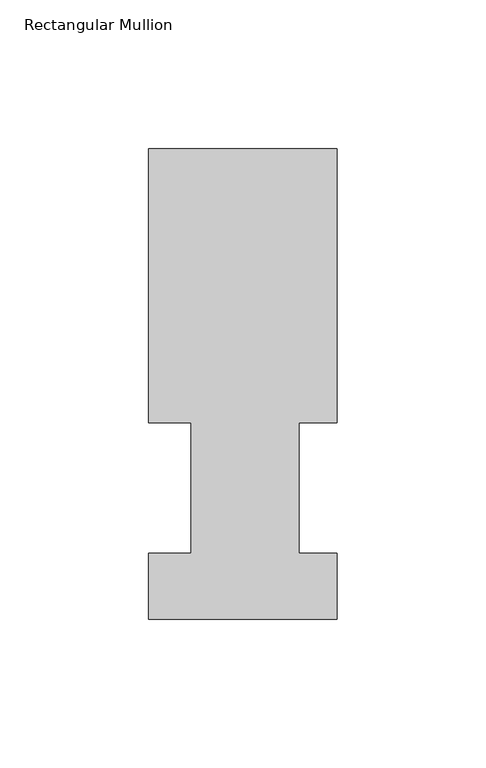
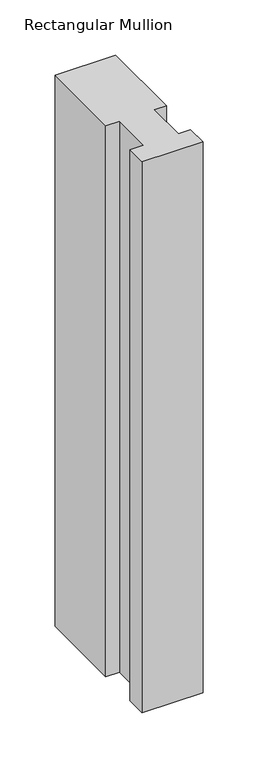
"""IFC4 building model written with IfcOpenShell, lengths in millimetres: member geometry, Rectangular Mullion."""

from ifc_helpers import new_model, si_unit, frame, origin, place, context, project, spatial, polyline, outline, extrude, source, transform, mapped, element, save


def rectangular_mullion_8d914f76(model_context):
    return source(origin(), model_context, "Body", "SweptSolid", [
        extrude(outline(polyline([(-63.5, 158.2308875), (0.0, 158.2308875), (0.0, 66.0796875), (-12.8524, 66.0796875), (-12.8524, 22.1122875), (0.0, 22.1122875), (0.0, -0.0080424), (-63.5, -0.0080424), (-63.5, 22.1122875), (-49.2125, 22.1122875), (-49.2125, 66.0796875), (-63.5, 66.0796875), (-63.5, 158.2308875)])), frame((0.0, 0.0, -609.6), z_axis=(0.0, 0.0, 1.0), x_axis=(1.0, 0.0, 0.0)), (0.0, 0.0, 1.0), 609.6),
    ])


if __name__ == "__main__":
    model = new_model("IFC4")
    model_context = context("Model", 3, world=origin())
    ifc_project = project(units=[si_unit("LENGTHUNIT", "METRE", prefix="MILLI")], contexts=[model_context])
    site = spatial("IfcSite", under=ifc_project)
    building = spatial("IfcBuilding", under=site)
    placement = place(None, origin())
    rectangular_mullion_shape = rectangular_mullion_8d914f76(model_context)
    element("IfcMember", 1, ObjectType="Rectangular Mullion", at=placement, inside=building, context=model_context, shape_type="MappedRepresentation", body=[
        mapped(rectangular_mullion_shape, transform((0.0, 0.0, 0.0), x_axis=(1.0, 0.0, 0.0), y_axis=(0.0, 1.0, 0.0), z_axis=(0.0, 0.0, 1.0))),
    ])
    save(model, "model.ifc")
